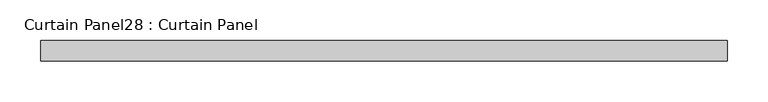
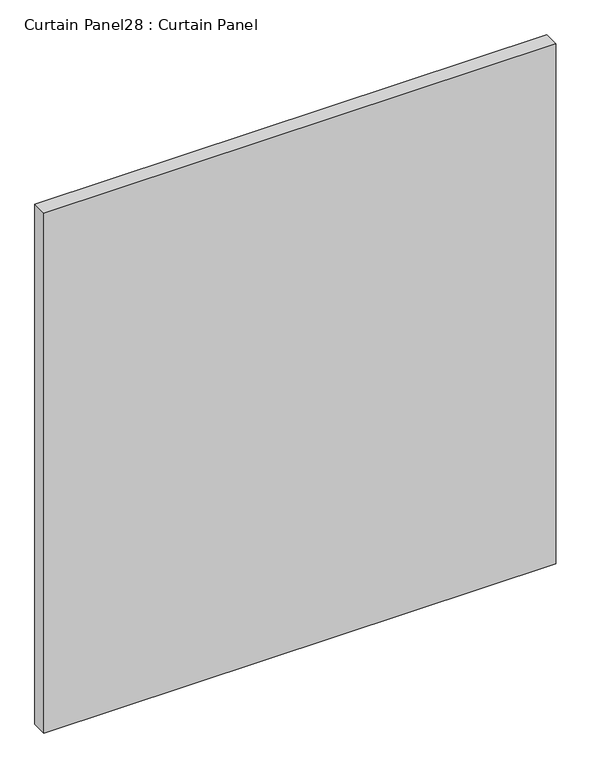
"""IFC4 building model written with IfcOpenShell, lengths in millimetres: plate geometry, Curtain Panel28 : Curtain Panel."""

import ifcopenshell
import ifcopenshell.guid

model = None  # the IFC model being written
_history = None  # IfcOwnerHistory: only IFC2X3 demands one
_inside = {}  # id of a spatial element -> (the spatial element, [elements in it])
_under = {}  # id of a project, library or spatial element -> (it, [spatial elements below it])
_declared = {}  # id of a project -> (the project, [libraries it declares])
_typed = {}  # id of a type object -> (the type object, [elements of that type])
_made_of = {}  # id of a material, layer set ... -> (it, [elements and type objects made of it])


def new_model(schema):
    """Start an empty IFC model of exactly this schema.

    Asked for "IFC4X3", IfcOpenShell would pick the latest addendum, in which some entities
    have other attributes; the version numbers below select the first issue.
    IFC2X3 requires an IfcOwnerHistory on every rooted entity: one is made here for all.
    """
    global model, _history
    if schema == "IFC4X3":
        model = ifcopenshell.file(schema_version=(4, 3, 0, 0))
    else:
        model = ifcopenshell.file(schema=schema)
    _inside.clear()
    _under.clear()
    _declared.clear()
    _typed.clear()
    _made_of.clear()
    _history = None
    if model.schema == "IFC2X3":
        org = make("IfcOrganization", Name="unknown")
        user = make(
            "IfcPersonAndOrganization",
            ThePerson=make("IfcPerson", FamilyName="unknown"),
            TheOrganization=org,
        )
        app = make(
            "IfcApplication",
            ApplicationDeveloper=org,
            Version="unknown",
            ApplicationFullName="unknown",
            ApplicationIdentifier="unknown",
        )
        _history = make(
            "IfcOwnerHistory",
            OwningUser=user,
            OwningApplication=app,
            ChangeAction="ADDED",
            CreationDate=0,
        )
    return model


def make(cls, **values):
    """One entity of the class cls with the attributes given. An attribute that is None is left unset."""
    return model.create_entity(
        cls, **{name: value for name, value in values.items() if value is not None}
    )


def rooted(cls, **values):
    """An entity with a GlobalId (a new one), such as an element, a storey or a relation."""
    return make(cls, GlobalId=ifcopenshell.guid.new(), OwnerHistory=_history, **values)


def si_unit(unit_type, name, prefix=None):
    """IfcSIUnit, for example si_unit("LENGTHUNIT", "METRE", prefix="MILLI")."""
    return make("IfcSIUnit", UnitType=unit_type, Prefix=prefix, Name=name)


def assignment(units):
    """IfcUnitAssignment: the units of a project."""
    return None if units is None else make("IfcUnitAssignment", Units=units)


def point(xyz):
    """IfcCartesianPoint."""
    return None if xyz is None else make("IfcCartesianPoint", Coordinates=xyz)


def direction(xyz):
    """IfcDirection."""
    return None if xyz is None else make("IfcDirection", DirectionRatios=xyz)


def frame(location, z_axis=None, x_axis=None):
    """IfcAxis2Placement3D, a coordinate frame: its origin and axes. An axis left out is left unset."""
    return make(
        "IfcAxis2Placement3D",
        Location=point(location),
        Axis=direction(z_axis),
        RefDirection=direction(x_axis),
    )


def origin():
    """The frame at (0, 0, 0) with its axes left unset."""
    return frame((0.0, 0.0, 0.0))


def place(relative_to, where):
    """IfcLocalPlacement: puts the frame where relative to a parent placement (None: the world)."""
    return make(
        "IfcLocalPlacement", PlacementRelTo=relative_to, RelativePlacement=where
    )


def context(
    kind, dimensions, precision=None, world=None, true_north=None, identifier=None
):
    """IfcGeometricRepresentationContext, for example the 3D "Model" context."""
    return make(
        "IfcGeometricRepresentationContext",
        ContextIdentifier=identifier,
        ContextType=kind,
        CoordinateSpaceDimension=dimensions,
        Precision=precision,
        WorldCoordinateSystem=world,
        TrueNorth=true_north,
    )


def project(units=None, contexts=None):
    """IfcProject with its units and contexts."""
    return rooted(
        "IfcProject",
        Name="project",
        RepresentationContexts=contexts,
        UnitsInContext=assignment(units),
    )


def spatial(cls, under=None, at=None, **own):
    """A site, building, storey or space (cls), placed at a placement, below another one or the project."""
    s = rooted(cls, ObjectPlacement=at, **own)
    if under is not None:
        _under.setdefault(under.id(), (under, []))[1].append(s)
    return s


def polyline(points):
    """IfcPolyline through the points."""
    return make("IfcPolyline", Points=[point(p) for p in points])


def outline(outer, holes=None, kind="AREA"):
    """IfcArbitraryClosedProfileDef: a profile drawn as a closed curve; with holes, ...WithVoids."""
    if holes is None:
        return make("IfcArbitraryClosedProfileDef", ProfileType=kind, OuterCurve=outer)
    return make(
        "IfcArbitraryProfileDefWithVoids",
        ProfileType=kind,
        OuterCurve=outer,
        InnerCurves=holes,
    )


def extrude(swept, where, along, depth):
    """IfcExtrudedAreaSolid: the profile swept, set in the frame where, extruded along a direction by depth."""
    return make(
        "IfcExtrudedAreaSolid",
        SweptArea=swept,
        Position=where,
        ExtrudedDirection=direction(along),
        Depth=depth,
    )


def shape(context_of_items, identifier, shape_type, items):
    """IfcShapeRepresentation: the items that make up one representation, for example the "Body"."""
    return make(
        "IfcShapeRepresentation",
        ContextOfItems=context_of_items,
        RepresentationIdentifier=identifier,
        RepresentationType=shape_type,
        Items=items,
    )


def source(mapping_origin, context_of_items, identifier, shape_type, items):
    """IfcRepresentationMap: a shape defined once, which mapped items show again and again."""
    return make(
        "IfcRepresentationMap",
        MappingOrigin=mapping_origin,
        MappedRepresentation=shape(context_of_items, identifier, shape_type, items),
    )


def transform(
    local_origin,
    x_axis=None,
    y_axis=None,
    z_axis=None,
    scale=None,
    scale2=None,
    scale3=None,
    uniform=True,
):
    """IfcCartesianTransformationOperator3D, or its non-uniform kind. x_axis, y_axis, z_axis: its Axis1, 2, 3."""
    if uniform:
        return make(
            "IfcCartesianTransformationOperator3D",
            Axis1=direction(x_axis),
            Axis2=direction(y_axis),
            LocalOrigin=point(local_origin),
            Scale=scale,
            Axis3=direction(z_axis),
        )
    return make(
        "IfcCartesianTransformationOperator3DnonUniform",
        Axis1=direction(x_axis),
        Axis2=direction(y_axis),
        LocalOrigin=point(local_origin),
        Scale=scale,
        Axis3=direction(z_axis),
        Scale2=scale2,
        Scale3=scale3,
    )


def mapped(mapping_source, mapping_target):
    """IfcMappedItem: shows the shape of a source again, moved by a transform."""
    return make(
        "IfcMappedItem", MappingSource=mapping_source, MappingTarget=mapping_target
    )


def made_of(thing, what):
    """Note that an element or type object is made of a material, layer set ...; save() writes the relation."""
    if what is not None:
        _made_of.setdefault(what.id(), (what, []))[1].append(thing)
    return thing


def element(
    cls,
    number,
    at=None,
    inside=None,
    cuts=None,
    type_object=None,
    material=None,
    context=None,
    identifier="Body",
    shape_type=None,
    held_by="IfcProductDefinitionShape",
    body=None,
    shapes=None,
    **own,
):
    """One element of the class cls, such as IfcWall. Its Tag is "e" and its number.

    at: its placement. inside: the storey or other place that contains it. cuts: it is an
    opening in that element (IfcRelVoidsElement). A single representation is given by context,
    identifier, shape_type and body (its items); several are given by shapes. held_by: the class
    of the entity that holds the representations. save() writes the other relations.
    """
    e = rooted(cls, Tag="e%d" % number, ObjectPlacement=at, **own)
    if body is not None:
        shapes = [shape(context, identifier, shape_type, body)]
    if shapes is not None:
        e.Representation = make(held_by, Representations=shapes)
    if inside is not None:
        _inside.setdefault(inside.id(), (inside, []))[1].append(e)
    if cuts is not None:
        rooted(
            "IfcRelVoidsElement", RelatingBuildingElement=cuts, RelatedOpeningElement=e
        )
    if type_object is not None:
        _typed.setdefault(type_object.id(), (type_object, []))[1].append(e)
    return made_of(e, material)


def aggregate(whole, parts):
    """IfcRelAggregates: a whole, such as a stair, and the parts it consists of."""
    return rooted("IfcRelAggregates", RelatingObject=whole, RelatedObjects=parts)


def save(model, path):
    """Write the relations noted so far, then the file.

    IfcRelAggregates (storeys below a building ...), IfcRelContainedInSpatialStructure (elements
    in a storey), IfcRelDefinesByType, IfcRelAssociatesMaterial and IfcRelDeclares: one each for
    every whole, place, type object, material and project.
    """
    for whole, parts in _under.values():
        aggregate(whole, parts)
    for where, things in _inside.values():
        rooted(
            "IfcRelContainedInSpatialStructure",
            RelatedElements=things,
            RelatingStructure=where,
        )
    for kind, things in _typed.values():
        rooted("IfcRelDefinesByType", RelatedObjects=things, RelatingType=kind)
    for what, things in _made_of.values():
        rooted("IfcRelAssociatesMaterial", RelatedObjects=things, RelatingMaterial=what)
    for by, libraries in _declared.values():
        rooted("IfcRelDeclares", RelatingContext=by, RelatedDefinitions=libraries)
    model.write(path)


def curtain_panel28_curtain_panel_9c14c6cb(model_context):
    return source(origin(), model_context, "Body", "SweptSolid", [
        extrude(outline(polyline([(74444.2244044, 2539.6865142), (73599.8915057, 2539.6865142), (73599.8915057, 2565.0865142), (74444.2244044, 2565.0865142), (74444.2244044, 2539.6865142)])), frame((0.0, 0.0, 225.4947251), z_axis=(0.0, 0.0, 1.0), x_axis=(1.0, 0.0, 0.0)), (0.0, 0.0, 1.0), 906.642477),
    ])


if __name__ == "__main__":
    model = new_model("IFC4")
    model_context = context("Model", 3, world=origin())
    ifc_project = project(units=[si_unit("LENGTHUNIT", "METRE", prefix="MILLI")], contexts=[model_context])
    site = spatial("IfcSite", under=ifc_project)
    building = spatial("IfcBuilding", under=site)
    placement = place(None, origin())
    curtain_panel28_curtain_panel_shape = curtain_panel28_curtain_panel_9c14c6cb(model_context)
    element("IfcPlate", 1, ObjectType="Curtain Panel28 : Curtain Panel", at=placement, inside=building, context=model_context, shape_type="MappedRepresentation", body=[
        mapped(curtain_panel28_curtain_panel_shape, transform((0.0, 0.0, 0.0), x_axis=(1.0, 0.0, 0.0), y_axis=(0.0, 1.0, 0.0), z_axis=(0.0, 0.0, 1.0))),
    ])
    save(model, "model.ifc")
